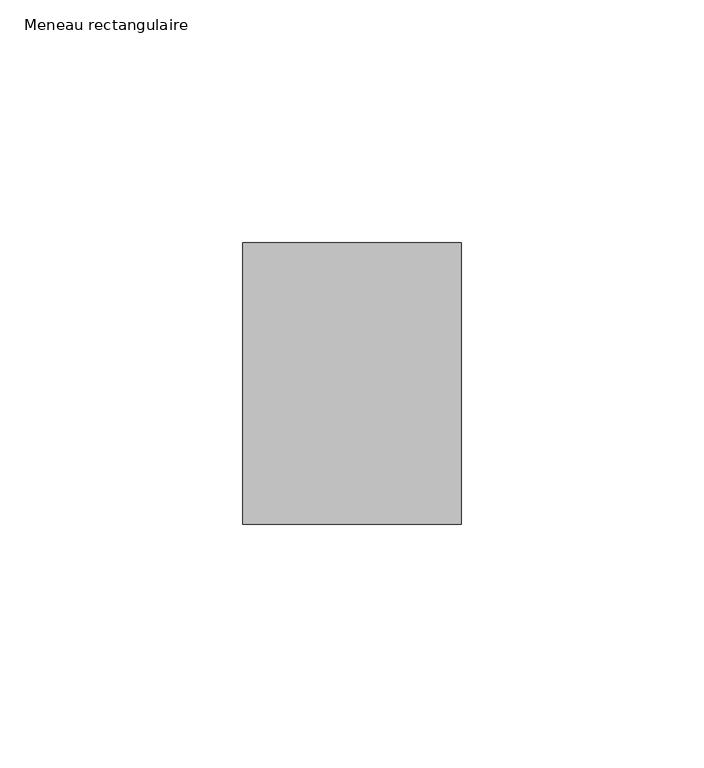
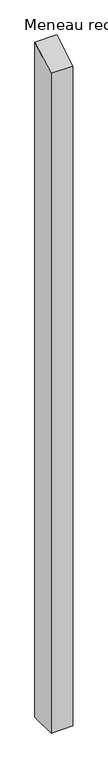
"""IFC4 building model written with IfcOpenShell, lengths in millimetres: member geometry, Meneau rectangulaire."""

from ifc_helpers import new_model, si_unit, frame, origin, place, context, project, spatial, polyline, outline, extrude, source, transform, mapped, element, save


def meneau_rectangulaire_98d5273d(model_context):
    return source(origin(), model_context, "Body", "SweptSolid", [
        extrude(outline(polyline([(-29.0, -16.7431578), (29.0, 16.7431578), (29.0, -1468.256074), (-29.0, -1468.256074), (-29.0, -16.7431578)])), frame((-45.0, 0.0, 0.0), z_axis=(1.0, 0.0, 0.0), x_axis=(0.0, 1.0, 0.0)), (0.0, 0.0, 1.0), 45.0),
    ])


if __name__ == "__main__":
    model = new_model("IFC4")
    model_context = context("Model", 3, world=origin())
    ifc_project = project(units=[si_unit("LENGTHUNIT", "METRE", prefix="MILLI")], contexts=[model_context])
    site = spatial("IfcSite", under=ifc_project)
    building = spatial("IfcBuilding", under=site)
    placement = place(None, origin())
    meneau_rectangulaire_shape = meneau_rectangulaire_98d5273d(model_context)
    element("IfcMember", 1, ObjectType="Meneau rectangulaire", at=placement, inside=building, context=model_context, shape_type="MappedRepresentation", body=[
        mapped(meneau_rectangulaire_shape, transform((0.0, 0.0, 0.0), x_axis=(1.0, 0.0, 0.0), y_axis=(0.0, 1.0, 0.0), z_axis=(0.0, 0.0, 1.0))),
    ])
    save(model, "model.ifc")
